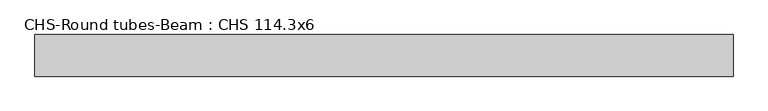
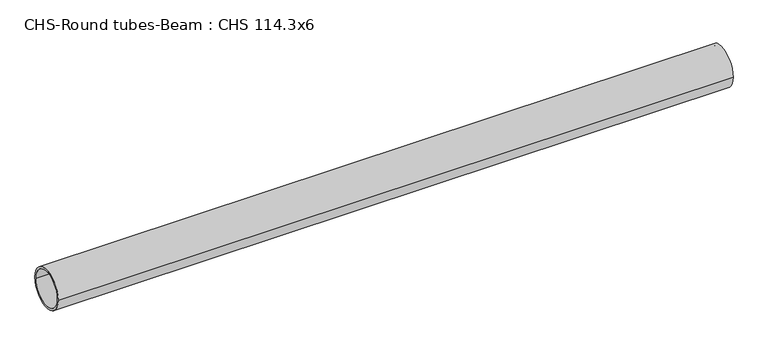
"""IFC4 building model written with IfcOpenShell, lengths in millimetres: beam geometry, CHS-Round tubes-Beam : CHS 114.3x6."""

from ifc_helpers import new_model, si_unit, point, frame, origin, origin_2d, place, context, project, spatial, circle_curve, trimmed, segment, composite_curve, outline, extrude, source, transform, mapped, element, save


def chs_round_tubes_beam_chs_114_3x6_8b67c669(model_context):
    return source(origin(), model_context, "Body", "SweptSolid", [
        extrude(outline(composite_curve([segment(trimmed(circle_curve(origin_2d(), 57.15), [point((57.15, 0.0))], [point((-57.15, 0.0))], False, "CARTESIAN"), True, "CONTINUOUS"), segment(trimmed(circle_curve(origin_2d(), 57.15), [point((-57.15, 0.0))], [point((57.15, 0.0))], False, "CARTESIAN"), True, "CONTINUOUS")], self_intersect=False), holes=[composite_curve([segment(trimmed(circle_curve(origin_2d(), 51.15), [point((51.15, 0.0))], [point((-51.15, 0.0))], True, "CARTESIAN"), True, "CONTINUOUS"), segment(trimmed(circle_curve(origin_2d(), 51.15), [point((-51.15, 0.0))], [point((51.15, 0.0))], True, "CARTESIAN"), True, "CONTINUOUS")], self_intersect=False)]), frame((-962.5088306, 0.0, 0.0), z_axis=(1.0, 0.0, 0.0), x_axis=(0.0, 1.0, 0.0)), (0.0, 0.0, 1.0), 1917.5593918),
    ])


if __name__ == "__main__":
    model = new_model("IFC4")
    model_context = context("Model", 3, world=origin())
    ifc_project = project(units=[si_unit("LENGTHUNIT", "METRE", prefix="MILLI")], contexts=[model_context])
    site = spatial("IfcSite", under=ifc_project)
    building = spatial("IfcBuilding", under=site)
    placement = place(None, origin())
    chs_round_tubes_beam_chs_114_3x6_shape = chs_round_tubes_beam_chs_114_3x6_8b67c669(model_context)
    element("IfcBeam", 1, ObjectType="CHS-Round tubes-Beam : CHS 114.3x6", at=placement, inside=building, context=model_context, shape_type="MappedRepresentation", body=[
        mapped(chs_round_tubes_beam_chs_114_3x6_shape, transform((0.0, 0.0, 0.0), x_axis=(1.0, 0.0, 0.0), y_axis=(0.0, 1.0, 0.0), z_axis=(0.0, 0.0, 1.0))),
    ])
    save(model, "model.ifc")
